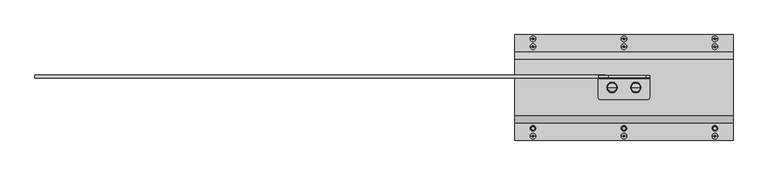
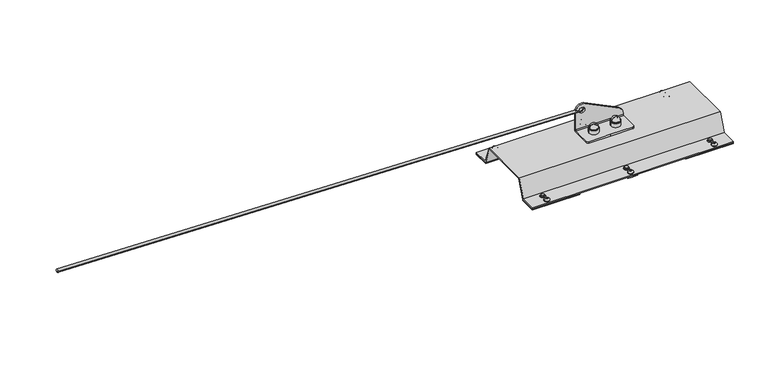
"""IFC4 building model written with IfcOpenShell, lengths in millimetres: proxy geometry."""

from ifc_helpers import new_model, si_unit, point, frame, origin, origin_with_axes, place, context, project, spatial, polyline, circle_curve, ellipse_curve, trimmed, outline, extrude, source, transform, mapped, element, save
from ifc_brep_helpers import plane_surface, cylinder_surface, revolved_surface, extruded_surface, advanced_brep


def specialty_equipment_ec87094d(model_context):
    return source(origin(), model_context, "Body", "SolidModel", [
        advanced_brep(
        [(1460.0, -27.5, 61.0), (1447.0, -27.5, 61.0), (1473.0, -27.5, 61.0), (1448.8711318, -27.5, 74.769106), (1460.0, -27.5, 84.5), (1471.1288682, -27.5, 74.769106), (1448.3951125, -27.5, 74.0453749), (1471.6048875, -27.5, 74.0453749), (1447.4849619, -27.5, 73.4985013), (1472.5150381, -27.5, 73.4985013), (1447.0, -27.5, 72.641334), (1473.0, -27.5, 72.641334)],
        [
            (0, 1),
            (1, 2, circle_curve(frame((1460.0, -27.5, 61.0), z_axis=(0.0, 0.0, -1.0), x_axis=(1.0, 0.0, 0.0)), 13.0)),
            (2, 0),
            (2, 1, circle_curve(frame((1460.0, -27.5, 61.0), z_axis=(0.0, 0.0, -1.0), x_axis=(1.0, 0.0, 0.0)), 13.0)),
            (3, 4, circle_curve(frame((1460.0, -27.5, 73.2707129), z_axis=(0.0, 1.0, 0.0), x_axis=(1.0, 0.0, 0.0)), 11.2292871)),
            (4, 5, circle_curve(frame((1460.0, -27.5, 73.2707129), z_axis=(0.0, 1.0, 0.0), x_axis=(-1.0, 0.0, 0.0)), 11.2292871)),
            (5, 3, circle_curve(frame((1460.0, -27.5, 74.769106), z_axis=(0.0, 0.0, 1.0), x_axis=(1.0, 0.0, 0.0)), 11.1288682)),
            (3, 5, circle_curve(frame((1460.0, -27.5, 74.769106), z_axis=(0.0, 0.0, 1.0), x_axis=(1.0, 0.0, 0.0)), 11.1288682)),
            (6, 3, circle_curve(frame((1447.8800744, -27.5, 74.9025422), z_axis=(0.0, -1.0, 0.0), x_axis=(1.0, 0.0, 0.0)), 1.0)),
            (5, 7, circle_curve(frame((1472.1199256, -27.5, 74.9025422), z_axis=(0.0, -1.0, 0.0), x_axis=(-1.0, 0.0, 0.0)), 1.0)),
            (7, 6, circle_curve(frame((1460.0, -27.5, 74.0453749), z_axis=(0.0, 0.0, 1.0), x_axis=(1.0, 0.0, 0.0)), 11.6048875)),
            (6, 7, circle_curve(frame((1460.0, -27.5, 74.0453749), z_axis=(0.0, 0.0, 1.0), x_axis=(1.0, 0.0, 0.0)), 11.6048875)),
            (8, 6),
            (7, 9),
            (9, 8, circle_curve(frame((1460.0, -27.5, 73.4985013), z_axis=(0.0, 0.0, 1.0), x_axis=(1.0, 0.0, 0.0)), 12.5150381)),
            (8, 9, circle_curve(frame((1460.0, -27.5, 73.4985013), z_axis=(0.0, 0.0, 1.0), x_axis=(1.0, 0.0, 0.0)), 12.5150381)),
            (10, 8, circle_curve(frame((1448.0, -27.5, 72.641334), z_axis=(0.0, 1.0, 0.0), x_axis=(1.0, 0.0, 0.0)), 1.0)),
            (9, 11, circle_curve(frame((1472.0, -27.5, 72.641334), z_axis=(0.0, 1.0, 0.0), x_axis=(-1.0, 0.0, 0.0)), 1.0)),
            (11, 10, circle_curve(frame((1460.0, -27.5, 72.641334), z_axis=(0.0, 0.0, 1.0), x_axis=(1.0, 0.0, 0.0)), 13.0)),
            (10, 11, circle_curve(frame((1460.0, -27.5, 72.641334), z_axis=(0.0, 0.0, 1.0), x_axis=(1.0, 0.0, 0.0)), 13.0)),
            (1, 10),
            (11, 2),
        ],
        [
            plane_surface(frame((1460.0, -27.5, 61.0), z_axis=(0.0, 0.0, -1.0), x_axis=(1.0, 0.0, 0.0))),
            revolved_surface(trimmed(ellipse_curve(frame((1460.0, -27.5, 73.2707129), z_axis=(0.0, 1.0, 0.0), x_axis=(-1.0, 0.0, 0.0)), 11.2292871, 11.2292871), [point((1460.0, -27.5, 84.5))], [point((1471.1288682, -27.5, 74.769106))], True, "CARTESIAN"), (1460.0, -27.5, 53.3736575), (0.0, 0.0, -1.0)),
            revolved_surface(trimmed(ellipse_curve(frame((1472.1199256, -27.5, 74.9025422), z_axis=(0.0, -1.0, 0.0), x_axis=(-1.0, 0.0, 0.0)), 1.0, 1.0), [point((1471.1288682, -27.5, 74.769106))], [point((1471.6048875, -27.5, 74.0453749))], True, "CARTESIAN"), (1460.0, -27.5, 53.3736575), (0.0, 0.0, -1.0)),
            revolved_surface(polyline([(1471.6048875, -27.5, 74.0453749), (1472.5150381, -27.5, 73.4985013)]), (1460.0, -27.5, 53.3736575), (0.0, 0.0, -1.0)),
            revolved_surface(trimmed(ellipse_curve(frame((1472.0, -27.5, 72.641334), z_axis=(0.0, 1.0, 0.0), x_axis=(-1.0, 0.0, 0.0)), 1.0, 1.0), [point((1472.5150381, -27.5, 73.4985013))], [point((1473.0, -27.5, 72.641334))], True, "CARTESIAN"), (1460.0, -27.5, 53.3736575), (0.0, 0.0, -1.0)),
            cylinder_surface(frame((1460.0, -27.5, 53.3736575), z_axis=(0.0, 0.0, -1.0), x_axis=(1.0, 0.0, 0.0)), 13.0),
        ],
        [
            (0, [[1, 2, 3]]),
            (0, [[-3, 4, -1]]),
            (1, [[5, 6, 7]]),
            (1, [[-6, -5, 8]]),
            (2, [[9, -7, 10, 11]]),
            (2, [[-10, -8, -9, 12]]),
            (3, [[13, -11, 14, 15]]),
            (3, [[-14, -12, -13, 16]]),
            (4, [[17, -15, 18, 19]]),
            (4, [[-18, -16, -17, 20]]),
            (5, [[21, -19, 22, -2]]),
            (5, [[-22, -20, -21, -4]]),
        ],
    ),
        advanced_brep(
        [(1520.0, -27.5, 61.0), (1507.0, -27.5, 61.0), (1533.0, -27.5, 61.0), (1508.8711318, -27.5, 74.769106), (1520.0, -27.5, 84.5), (1531.1288682, -27.5, 74.769106), (1508.3951125, -27.5, 74.0453749), (1531.6048875, -27.5, 74.0453749), (1507.4849619, -27.5, 73.4985013), (1532.5150381, -27.5, 73.4985013), (1507.0, -27.5, 72.641334), (1533.0, -27.5, 72.641334)],
        [
            (0, 1),
            (1, 2, circle_curve(frame((1520.0, -27.5, 61.0), z_axis=(0.0, 0.0, -1.0), x_axis=(1.0, 0.0, 0.0)), 13.0)),
            (2, 0),
            (2, 1, circle_curve(frame((1520.0, -27.5, 61.0), z_axis=(0.0, 0.0, -1.0), x_axis=(1.0, 0.0, 0.0)), 13.0)),
            (3, 4, circle_curve(frame((1520.0, -27.5, 73.2707129), z_axis=(0.0, 1.0, 0.0), x_axis=(1.0, 0.0, 0.0)), 11.2292871)),
            (4, 5, circle_curve(frame((1520.0, -27.5, 73.2707129), z_axis=(0.0, 1.0, 0.0), x_axis=(-1.0, 0.0, 0.0)), 11.2292871)),
            (5, 3, circle_curve(frame((1520.0, -27.5, 74.769106), z_axis=(0.0, 0.0, 1.0), x_axis=(1.0, 0.0, 0.0)), 11.1288682)),
            (3, 5, circle_curve(frame((1520.0, -27.5, 74.769106), z_axis=(0.0, 0.0, 1.0), x_axis=(1.0, 0.0, 0.0)), 11.1288682)),
            (6, 3, circle_curve(frame((1507.8800744, -27.5, 74.9025422), z_axis=(0.0, -1.0, 0.0), x_axis=(1.0, 0.0, 0.0)), 1.0)),
            (5, 7, circle_curve(frame((1532.1199256, -27.5, 74.9025422), z_axis=(0.0, -1.0, 0.0), x_axis=(-1.0, 0.0, 0.0)), 1.0)),
            (7, 6, circle_curve(frame((1520.0, -27.5, 74.0453749), z_axis=(0.0, 0.0, 1.0), x_axis=(1.0, 0.0, 0.0)), 11.6048875)),
            (6, 7, circle_curve(frame((1520.0, -27.5, 74.0453749), z_axis=(0.0, 0.0, 1.0), x_axis=(1.0, 0.0, 0.0)), 11.6048875)),
            (8, 6),
            (7, 9),
            (9, 8, circle_curve(frame((1520.0, -27.5, 73.4985013), z_axis=(0.0, 0.0, 1.0), x_axis=(1.0, 0.0, 0.0)), 12.5150381)),
            (8, 9, circle_curve(frame((1520.0, -27.5, 73.4985013), z_axis=(0.0, 0.0, 1.0), x_axis=(1.0, 0.0, 0.0)), 12.5150381)),
            (10, 8, circle_curve(frame((1508.0, -27.5, 72.641334), z_axis=(0.0, 1.0, 0.0), x_axis=(1.0, 0.0, 0.0)), 1.0)),
            (9, 11, circle_curve(frame((1532.0, -27.5, 72.641334), z_axis=(0.0, 1.0, 0.0), x_axis=(-1.0, 0.0, 0.0)), 1.0)),
            (11, 10, circle_curve(frame((1520.0, -27.5, 72.641334), z_axis=(0.0, 0.0, 1.0), x_axis=(1.0, 0.0, 0.0)), 13.0)),
            (10, 11, circle_curve(frame((1520.0, -27.5, 72.641334), z_axis=(0.0, 0.0, 1.0), x_axis=(1.0, 0.0, 0.0)), 13.0)),
            (1, 10),
            (11, 2),
        ],
        [
            plane_surface(frame((1520.0, -27.5, 61.0), z_axis=(0.0, 0.0, -1.0), x_axis=(1.0, 0.0, 0.0))),
            revolved_surface(trimmed(ellipse_curve(frame((1520.0, -27.5, 73.2707129), z_axis=(0.0, 1.0, 0.0), x_axis=(-1.0, 0.0, 0.0)), 11.2292871, 11.2292871), [point((1520.0, -27.5, 84.5))], [point((1531.1288682, -27.5, 74.769106))], True, "CARTESIAN"), (1520.0, -27.5, 53.3736575), (0.0, 0.0, -1.0)),
            revolved_surface(trimmed(ellipse_curve(frame((1532.1199256, -27.5, 74.9025422), z_axis=(0.0, -1.0, 0.0), x_axis=(-1.0, 0.0, 0.0)), 1.0, 1.0), [point((1531.1288682, -27.5, 74.769106))], [point((1531.6048875, -27.5, 74.0453749))], True, "CARTESIAN"), (1520.0, -27.5, 53.3736575), (0.0, 0.0, -1.0)),
            revolved_surface(polyline([(1531.6048875, -27.5, 74.0453749), (1532.5150381, -27.5, 73.4985013)]), (1520.0, -27.5, 53.3736575), (0.0, 0.0, -1.0)),
            revolved_surface(trimmed(ellipse_curve(frame((1532.0, -27.5, 72.641334), z_axis=(0.0, 1.0, 0.0), x_axis=(-1.0, 0.0, 0.0)), 1.0, 1.0), [point((1532.5150381, -27.5, 73.4985013))], [point((1533.0, -27.5, 72.641334))], True, "CARTESIAN"), (1520.0, -27.5, 53.3736575), (0.0, 0.0, -1.0)),
            cylinder_surface(frame((1520.0, -27.5, 53.3736575), z_axis=(0.0, 0.0, -1.0), x_axis=(1.0, 0.0, 0.0)), 13.0),
        ],
        [
            (0, [[1, 2, 3]]),
            (0, [[-3, 4, -1]]),
            (1, [[5, 6, 7]]),
            (1, [[-6, -5, 8]]),
            (2, [[9, -7, 10, 11]]),
            (2, [[-10, -8, -9, 12]]),
            (3, [[13, -11, 14, 15]]),
            (3, [[-14, -12, -13, 16]]),
            (4, [[17, -15, 18, 19]]),
            (4, [[-18, -16, -17, 20]]),
            (5, [[21, -19, 22, -2]]),
            (5, [[-22, -20, -21, -4]]),
        ],
    ),
        advanced_brep(
        [(1425.0, -2.5, 114.5), (1425.0, -2.5, 64.0), (1555.0, -2.5, 64.0), (1555.0, -2.5, 68.1654041), (1545.1714951, -2.5, 83.8942999), (1450.1714951, -2.5, 130.2288958), (1435.0, -2.5, 114.5), (1450.0, -2.5, 114.5), (1555.0, 2.5, 68.1654041), (1555.0, 2.5, 64.0), (1425.0, 2.5, 64.0), (1425.0, 2.5, 114.5), (1450.1714951, 2.5, 130.2288958), (1545.1714951, 2.5, 83.8942999), (1450.0, 2.5, 114.5), (1435.0, 2.5, 114.5), (1555.0, -27.5, 61.0), (1555.0, -5.5, 61.0), (1425.0, -5.5, 61.0), (1425.0, -27.5, 61.0), (1425.0, -52.5, 61.0), (1430.0, -57.5, 61.0), (1490.0, -57.5, 61.0), (1550.0, -57.5, 61.0), (1555.0, -52.5, 61.0), (1425.0, -27.5, 56.0), (1425.0, -5.5, 56.0), (1555.0, -5.5, 56.0), (1555.0, -27.5, 56.0), (1555.0, -52.5, 56.0), (1550.0, -57.5, 56.0), (1490.0, -57.5, 56.0), (1430.0, -57.5, 56.0), (1425.0, -52.5, 56.0)],
        [
            (0, 1),
            (1, 2),
            (2, 3),
            (3, 4, circle_curve(frame((1537.5, -2.5, 68.1654041), z_axis=(0.0, -1.0, 0.0), x_axis=(1.0, 0.0, 0.0)), 17.5)),
            (4, 5),
            (5, 0, circle_curve(frame((1442.5, -2.5, 114.5), z_axis=(0.0, -1.0, 0.0), x_axis=(1.0, 0.0, 0.0)), 17.5)),
            (6, 7, circle_curve(frame((1442.5, -2.5, 114.5), z_axis=(0.0, 1.0, 0.0), x_axis=(-1.0, 0.0, 0.0)), 7.5)),
            (7, 6, circle_curve(frame((1442.5, -2.5, 114.5), z_axis=(0.0, 1.0, 0.0), x_axis=(-1.0, 0.0, 0.0)), 7.5)),
            (8, 9),
            (9, 10),
            (10, 11),
            (11, 12, circle_curve(frame((1442.5, 2.5, 114.5), z_axis=(0.0, 1.0, 0.0), x_axis=(1.0, 0.0, 0.0)), 17.5)),
            (12, 13),
            (13, 8, circle_curve(frame((1537.5, 2.5, 68.1654041), z_axis=(0.0, 1.0, 0.0), x_axis=(1.0, 0.0, 0.0)), 17.5)),
            (14, 15, circle_curve(frame((1442.5, 2.5, 114.5), z_axis=(0.0, -1.0, 0.0), x_axis=(-1.0, 0.0, 0.0)), 7.5)),
            (15, 14, circle_curve(frame((1442.5, 2.5, 114.5), z_axis=(0.0, -1.0, 0.0), x_axis=(-1.0, 0.0, 0.0)), 7.5)),
            (16, 17),
            (17, 18),
            (18, 19),
            (19, 20),
            (20, 21, circle_curve(frame((1430.0, -52.5, 61.0), z_axis=(0.0, 0.0, 1.0), x_axis=(0.0, 1.0, 0.0)), 5.0)),
            (21, 22),
            (22, 23),
            (23, 24, circle_curve(frame((1550.0, -52.5, 61.0), z_axis=(0.0, 0.0, 1.0), x_axis=(0.0, 1.0, 0.0)), 5.0)),
            (24, 16),
            (25, 26),
            (26, 27),
            (27, 28),
            (28, 29),
            (29, 30, circle_curve(frame((1550.0, -52.5, 56.0), z_axis=(0.0, 0.0, -1.0), x_axis=(0.0, 1.0, 0.0)), 5.0)),
            (30, 31),
            (31, 32),
            (32, 33, circle_curve(frame((1430.0, -52.5, 56.0), z_axis=(0.0, 0.0, -1.0), x_axis=(0.0, 1.0, 0.0)), 5.0)),
            (33, 25),
            (24, 29),
            (28, 16),
            (23, 30),
            (22, 31),
            (21, 32),
            (20, 33),
            (19, 25),
            (1, 18, circle_curve(frame((1425.0, -5.5, 64.0), z_axis=(-1.0, 0.0, 0.0), x_axis=(0.0, 1.0, 0.0)), 3.0)),
            (17, 2, circle_curve(frame((1555.0, -5.5, 64.0), z_axis=(1.0, 0.0, 0.0), x_axis=(0.0, 1.0, 0.0)), 3.0)),
            (10, 26, circle_curve(frame((1425.0, -5.5, 64.0), z_axis=(-1.0, 0.0, 0.0), x_axis=(0.0, 1.0, 0.0)), 8.0)),
            (0, 11),
            (5, 12),
            (4, 13),
            (3, 8),
            (27, 9, circle_curve(frame((1555.0, -5.5, 64.0), z_axis=(1.0, 0.0, 0.0), x_axis=(0.0, 1.0, 0.0)), 8.0)),
            (7, 14),
            (15, 6),
        ],
        [
            plane_surface(frame((1425.0, -2.5, 61.0), z_axis=(0.0, -1.0, 0.0), x_axis=(0.0, 0.0, 1.0))),
            plane_surface(frame((1425.0, 2.5, 61.0), z_axis=(0.0, 1.0, 0.0), x_axis=(0.0, 0.0, -1.0))),
            plane_surface(frame((1555.0, 2.5, 61.0), z_axis=(0.0, 0.0, 1.0), x_axis=(0.0, -1.0, 0.0))),
            plane_surface(frame((1555.0, 2.5, 56.0), z_axis=(0.0, 0.0, -1.0), x_axis=(0.0, 1.0, 0.0))),
            plane_surface(frame((1555.0, -27.5, 61.0), z_axis=(1.0, 0.0, 0.0), x_axis=(0.0, 0.0, -1.0))),
            cylinder_surface(frame((1550.0, -52.5, 56.0), z_axis=(0.0, 0.0, 1.0), x_axis=(0.0, 1.0, 0.0)), 5.0),
            plane_surface(frame((1550.0, -57.5, 61.0), z_axis=(0.0, -1.0, 0.0), x_axis=(0.0, 0.0, -1.0))),
            plane_surface(frame((1490.0, -57.5, 61.0), z_axis=(0.0, -1.0, 0.0), x_axis=(0.0, 0.0, -1.0))),
            cylinder_surface(frame((1430.0, -52.5, 56.0), z_axis=(0.0, 0.0, 1.0), x_axis=(0.0, 1.0, 0.0)), 5.0),
            plane_surface(frame((1425.0, -52.5, 61.0), z_axis=(-1.0, 0.0, 0.0), x_axis=(0.0, 0.0, -1.0))),
            revolved_surface(polyline([(1555.0, -2.5, 64.0), (1425.0, -2.5, 64.0)]), (1555.0, -5.5, 64.0), (1.0, 0.0, 0.0)),
            plane_surface(frame((1425.0, -2.5, 61.0), z_axis=(-1.0, 0.0, 0.0), x_axis=(0.0, 1.0, 0.0))),
            cylinder_surface(frame((1442.5, 2.5, 114.5), z_axis=(0.0, -1.0, 0.0), x_axis=(1.0, 0.0, 0.0)), 17.5),
            plane_surface(frame((1450.1714951, -2.5, 130.2288958), z_axis=(0.43837114678908046, 0.0, 0.8987940462991656), x_axis=(0.0, 1.0, 0.0))),
            cylinder_surface(frame((1537.5, 2.5, 68.1654041), z_axis=(0.0, -1.0, 0.0), x_axis=(1.0, 0.0, 0.0)), 17.5),
            plane_surface(frame((1555.0, -2.5, 68.1654041), z_axis=(1.0, 0.0, 0.0), x_axis=(0.0, 1.0, 0.0))),
            revolved_surface(polyline([(1435.0, -2.5, 114.5), (1435.0, 2.5, 114.5)]), (1442.5, 2.5, 114.5), (0.0, -1.0, 0.0)),
            cylinder_surface(frame((1555.0, -5.5, 64.0), z_axis=(1.0, 0.0, 0.0), x_axis=(0.0, 1.0, 0.0)), 8.0),
        ],
        [
            (0, [[1, 2, 3, 4, 5, 6], [7, 8]]),
            (1, [[9, 10, 11, 12, 13, 14], [15, 16]]),
            (2, [[17, 18, 19, 20, 21, 22, 23, 24, 25]]),
            (3, [[26, 27, 28, 29, 30, 31, 32, 33, 34]]),
            (4, [[35, -29, 36, -25]]),
            (5, [[37, -30, -35, -24]]),
            (6, [[38, -31, -37, -23]]),
            (7, [[39, -32, -38, -22]]),
            (8, [[40, -33, -39, -21]]),
            (9, [[41, -34, -40, -20]]),
            (10, [[-2, 42, -18, 43]]),
            (11, [[-11, 44, -26, -41, -19, -42, -1, 45]]),
            (12, [[46, -12, -45, -6]]),
            (13, [[47, -13, -46, -5]]),
            (14, [[48, -14, -47, -4]]),
            (15, [[-3, -43, -17, -36, -28, 49, -9, -48]]),
            (16, [[-8, 50, -16, 51]]),
            (16, [[-15, -50, -7, -51]]),
            (17, [[-49, -27, -44, -10]]),
        ],
    ),
        extrude(outline(polyline([(61.0, 3.0), (42.7695663, 53.0877048), (-97.7695663, 53.0877048), (-116.0, 3.0), (-161.0, 3.0), (-161.0, 6.0), (-118.1006226, 6.0), (-99.870189, 56.0877048), (44.870189, 56.0877048), (63.1006226, 6.0), (106.0, 6.0), (106.0, 3.0), (61.0, 3.0)])), frame((1214.0, 0.0, 0.0), z_axis=(1.0, 0.0, 0.0), x_axis=(0.0, 1.0, 0.0)), (0.0, 0.0, 1.0), 552.0),
        extrude(outline(polyline([(1636.0, 106.0), (1766.0, 106.0), (1766.0, 61.0), (1636.0, 61.0), (1636.0, 106.0)])), origin_with_axes(), (0.0, 0.0, 1.0), 3.0),
        extrude(outline(polyline([(1344.0, 106.0), (1344.0, 61.0), (1214.0, 61.0), (1214.0, 106.0), (1344.0, 106.0)])), origin_with_axes(), (0.0, 0.0, 1.0), 3.0),
        extrude(outline(polyline([(1636.0, -161.0), (1636.0, -116.0), (1766.0, -116.0), (1766.0, -161.0), (1636.0, -161.0)])), origin_with_axes(), (0.0, 0.0, 1.0), 3.0),
        extrude(outline(polyline([(1344.0, -161.0), (1214.0, -161.0), (1214.0, -116.0), (1344.0, -116.0), (1344.0, -161.0)])), origin_with_axes(), (0.0, 0.0, 1.0), 3.0),
        extrude(outline(polyline([(1490.0, 106.0), (1504.1113894, 106.0), (1504.1113894, 61.0), (1490.0, 61.0), (1475.8886106, 61.0), (1475.8886106, 106.0), (1490.0, 106.0)])), origin_with_axes(), (0.0, 0.0, 1.0), 3.0),
        extrude(outline(polyline([(1490.0, -161.0), (1475.8886106, -161.0), (1475.8886106, -116.0), (1490.0, -116.0), (1504.1113894, -116.0), (1504.1113894, -161.0), (1490.0, -161.0)])), origin_with_axes(), (0.0, 0.0, 1.0), 3.0),
        advanced_brep(
        [(1252.7019875, -151.0, 6.0), (1260.0, -151.0, 6.0), (1267.2980125, -151.0, 6.0), (1252.7019875, -151.0, 7.5), (1267.2980125, -151.0, 7.5), (1256.7019875, -151.0, 11.5), (1263.2980125, -151.0, 11.5), (1260.0, -151.0, 11.5)],
        [
            (0, 1),
            (1, 2),
            (2, 0, circle_curve(frame((1260.0, -151.0, 6.0), z_axis=(0.0, 0.0, -1.0), x_axis=(1.0, 0.0, 0.0)), 7.2980125)),
            (0, 2, circle_curve(frame((1260.0, -151.0, 6.0), z_axis=(0.0, 0.0, -1.0), x_axis=(1.0, 0.0, 0.0)), 7.2980125)),
            (3, 0),
            (2, 4),
            (4, 3, circle_curve(frame((1260.0, -151.0, 7.5), z_axis=(0.0, 0.0, -1.0), x_axis=(1.0, 0.0, 0.0)), 7.2980125)),
            (3, 4, circle_curve(frame((1260.0, -151.0, 7.5), z_axis=(0.0, 0.0, -1.0), x_axis=(1.0, 0.0, 0.0)), 7.2980125)),
            (5, 3, circle_curve(frame((1256.7019875, -151.0, 7.5), z_axis=(0.0, -1.0, 0.0), x_axis=(-1.0, 0.0, 0.0)), 4.0)),
            (4, 6, circle_curve(frame((1263.2980125, -151.0, 7.5), z_axis=(0.0, -1.0, 0.0), x_axis=(1.0, 0.0, 0.0)), 4.0)),
            (6, 5, circle_curve(frame((1260.0, -151.0, 11.5), z_axis=(0.0, 0.0, -1.0), x_axis=(1.0, 0.0, 0.0)), 3.2980125)),
            (5, 6, circle_curve(frame((1260.0, -151.0, 11.5), z_axis=(0.0, 0.0, -1.0), x_axis=(1.0, 0.0, 0.0)), 3.2980125)),
            (7, 5),
            (6, 7),
        ],
        [
            plane_surface(frame((1260.0, -151.0, 6.0), z_axis=(0.0, 0.0, -1.0), x_axis=(1.0, 0.0, 0.0))),
            cylinder_surface(frame((1260.0, -151.0, -55.0), z_axis=(0.0, 0.0, 1.0), x_axis=(1.0, 0.0, 0.0)), 7.2980125),
            revolved_surface(trimmed(ellipse_curve(frame((1263.2980125, -151.0, 7.5), z_axis=(0.0, -1.0, 0.0), x_axis=(1.0, 0.0, 0.0)), 4.0, 4.0), [point((1267.2980125, -151.0, 7.5))], [point((1263.2980125, -151.0, 11.5))], True, "CARTESIAN"), (1260.0, -151.0, -55.0), (0.0, 0.0, 1.0)),
            plane_surface(frame((1260.0, -151.0, 11.5), z_axis=(0.0, 0.0, 1.0), x_axis=(1.0, 0.0, 0.0))),
        ],
        [
            (0, [[1, 2, 3]]),
            (0, [[-2, -1, 4]]),
            (1, [[5, -3, 6, 7]]),
            (1, [[-6, -4, -5, 8]]),
            (2, [[9, -7, 10, 11]]),
            (2, [[-10, -8, -9, 12]]),
            (3, [[13, -11, 14]]),
            (3, [[-14, -12, -13]]),
        ],
    ),
        advanced_brep(
        [(1482.7019875, -151.0, 6.0), (1490.0, -151.0, 6.0), (1497.2980125, -151.0, 6.0), (1482.7019875, -151.0, 7.5), (1497.2980125, -151.0, 7.5), (1486.7019875, -151.0, 11.5), (1493.2980125, -151.0, 11.5), (1490.0, -151.0, 11.5)],
        [
            (0, 1),
            (1, 2),
            (2, 0, circle_curve(frame((1490.0, -151.0, 6.0), z_axis=(0.0, 0.0, -1.0), x_axis=(1.0, 0.0, 0.0)), 7.2980125)),
            (0, 2, circle_curve(frame((1490.0, -151.0, 6.0), z_axis=(0.0, 0.0, -1.0), x_axis=(1.0, 0.0, 0.0)), 7.2980125)),
            (3, 0),
            (2, 4),
            (4, 3, circle_curve(frame((1490.0, -151.0, 7.5), z_axis=(0.0, 0.0, -1.0), x_axis=(1.0, 0.0, 0.0)), 7.2980125)),
            (3, 4, circle_curve(frame((1490.0, -151.0, 7.5), z_axis=(0.0, 0.0, -1.0), x_axis=(1.0, 0.0, 0.0)), 7.2980125)),
            (5, 3, circle_curve(frame((1486.7019875, -151.0, 7.5), z_axis=(0.0, -1.0, 0.0), x_axis=(-1.0, 0.0, 0.0)), 4.0)),
            (4, 6, circle_curve(frame((1493.2980125, -151.0, 7.5), z_axis=(0.0, -1.0, 0.0), x_axis=(1.0, 0.0, 0.0)), 4.0)),
            (6, 5, circle_curve(frame((1490.0, -151.0, 11.5), z_axis=(0.0, 0.0, -1.0), x_axis=(1.0, 0.0, 0.0)), 3.2980125)),
            (5, 6, circle_curve(frame((1490.0, -151.0, 11.5), z_axis=(0.0, 0.0, -1.0), x_axis=(1.0, 0.0, 0.0)), 3.2980125)),
            (7, 5),
            (6, 7),
        ],
        [
            plane_surface(frame((1490.0, -151.0, 6.0), z_axis=(0.0, 0.0, -1.0), x_axis=(1.0, 0.0, 0.0))),
            cylinder_surface(frame((1490.0, -151.0, -55.0), z_axis=(0.0, 0.0, 1.0), x_axis=(1.0, 0.0, 0.0)), 7.2980125),
            revolved_surface(trimmed(ellipse_curve(frame((1493.2980125, -151.0, 7.5), z_axis=(0.0, -1.0, 0.0), x_axis=(1.0, 0.0, 0.0)), 4.0, 4.0), [point((1497.2980125, -151.0, 7.5))], [point((1493.2980125, -151.0, 11.5))], True, "CARTESIAN"), (1490.0, -151.0, -55.0), (0.0, 0.0, 1.0)),
            plane_surface(frame((1490.0, -151.0, 11.5), z_axis=(0.0, 0.0, 1.0), x_axis=(1.0, 0.0, 0.0))),
        ],
        [
            (0, [[1, 2, 3]]),
            (0, [[-2, -1, 4]]),
            (1, [[5, -3, 6, 7]]),
            (1, [[-6, -4, -5, 8]]),
            (2, [[9, -7, 10, 11]]),
            (2, [[-10, -8, -9, 12]]),
            (3, [[13, -11, 14]]),
            (3, [[-14, -12, -13]]),
        ],
    ),
        advanced_brep(
        [(1712.7019875, -151.0, 6.0), (1720.0, -151.0, 6.0), (1727.2980125, -151.0, 6.0), (1712.7019875, -151.0, 7.5), (1727.2980125, -151.0, 7.5), (1716.7019875, -151.0, 11.5), (1723.2980125, -151.0, 11.5), (1720.0, -151.0, 11.5)],
        [
            (0, 1),
            (1, 2),
            (2, 0, circle_curve(frame((1720.0, -151.0, 6.0), z_axis=(0.0, 0.0, -1.0), x_axis=(1.0, 0.0, 0.0)), 7.2980125)),
            (0, 2, circle_curve(frame((1720.0, -151.0, 6.0), z_axis=(0.0, 0.0, -1.0), x_axis=(1.0, 0.0, 0.0)), 7.2980125)),
            (3, 0),
            (2, 4),
            (4, 3, circle_curve(frame((1720.0, -151.0, 7.5), z_axis=(0.0, 0.0, -1.0), x_axis=(1.0, 0.0, 0.0)), 7.2980125)),
            (3, 4, circle_curve(frame((1720.0, -151.0, 7.5), z_axis=(0.0, 0.0, -1.0), x_axis=(1.0, 0.0, 0.0)), 7.2980125)),
            (5, 3, circle_curve(frame((1716.7019875, -151.0, 7.5), z_axis=(0.0, -1.0, 0.0), x_axis=(-1.0, 0.0, 0.0)), 4.0)),
            (4, 6, circle_curve(frame((1723.2980125, -151.0, 7.5), z_axis=(0.0, -1.0, 0.0), x_axis=(1.0, 0.0, 0.0)), 4.0)),
            (6, 5, circle_curve(frame((1720.0, -151.0, 11.5), z_axis=(0.0, 0.0, -1.0), x_axis=(1.0, 0.0, 0.0)), 3.2980125)),
            (5, 6, circle_curve(frame((1720.0, -151.0, 11.5), z_axis=(0.0, 0.0, -1.0), x_axis=(1.0, 0.0, 0.0)), 3.2980125)),
            (7, 5),
            (6, 7),
        ],
        [
            plane_surface(frame((1720.0, -151.0, 6.0), z_axis=(0.0, 0.0, -1.0), x_axis=(1.0, 0.0, 0.0))),
            cylinder_surface(frame((1720.0, -151.0, -55.0), z_axis=(0.0, 0.0, 1.0), x_axis=(1.0, 0.0, 0.0)), 7.2980125),
            revolved_surface(trimmed(ellipse_curve(frame((1723.2980125, -151.0, 7.5), z_axis=(0.0, -1.0, 0.0), x_axis=(1.0, 0.0, 0.0)), 4.0, 4.0), [point((1727.2980125, -151.0, 7.5))], [point((1723.2980125, -151.0, 11.5))], True, "CARTESIAN"), (1720.0, -151.0, -55.0), (0.0, 0.0, 1.0)),
            plane_surface(frame((1720.0, -151.0, 11.5), z_axis=(0.0, 0.0, 1.0), x_axis=(1.0, 0.0, 0.0))),
        ],
        [
            (0, [[1, 2, 3]]),
            (0, [[-2, -1, 4]]),
            (1, [[5, -3, 6, 7]]),
            (1, [[-6, -4, -5, 8]]),
            (2, [[9, -7, 10, 11]]),
            (2, [[-10, -8, -9, 12]]),
            (3, [[13, -11, 14]]),
            (3, [[-14, -12, -13]]),
        ],
    ),
        advanced_brep(
        [(1267.2980125, 76.0, 6.0), (1260.0, 76.0, 6.0), (1252.7019875, 76.0, 6.0), (1267.2980125, 76.0, 7.5), (1252.7019875, 76.0, 7.5), (1263.2980125, 76.0, 11.5), (1256.7019875, 76.0, 11.5), (1260.0, 76.0, 11.5)],
        [
            (0, 1),
            (1, 2),
            (2, 0, circle_curve(frame((1260.0, 76.0, 6.0), z_axis=(0.0, 0.0, -1.0), x_axis=(-1.0, 0.0, 0.0)), 7.2980125)),
            (0, 2, circle_curve(frame((1260.0, 76.0, 6.0), z_axis=(0.0, 0.0, -1.0), x_axis=(-1.0, 0.0, 0.0)), 7.2980125)),
            (3, 0),
            (2, 4),
            (4, 3, circle_curve(frame((1260.0, 76.0, 7.5), z_axis=(0.0, 0.0, -1.0), x_axis=(-1.0, 0.0, 0.0)), 7.2980125)),
            (3, 4, circle_curve(frame((1260.0, 76.0, 7.5), z_axis=(0.0, 0.0, -1.0), x_axis=(-1.0, 0.0, 0.0)), 7.2980125)),
            (5, 3, circle_curve(frame((1263.2980125, 76.0, 7.5), z_axis=(0.0, 1.0, 0.0), x_axis=(-1.0, 0.0, 0.0)), 4.0)),
            (4, 6, circle_curve(frame((1256.7019875, 76.0, 7.5), z_axis=(0.0, 1.0, 0.0), x_axis=(1.0, 0.0, 0.0)), 4.0)),
            (6, 5, circle_curve(frame((1260.0, 76.0, 11.5), z_axis=(0.0, 0.0, -1.0), x_axis=(-1.0, 0.0, 0.0)), 3.2980125)),
            (5, 6, circle_curve(frame((1260.0, 76.0, 11.5), z_axis=(0.0, 0.0, -1.0), x_axis=(-1.0, 0.0, 0.0)), 3.2980125)),
            (7, 5),
            (6, 7),
        ],
        [
            plane_surface(frame((1260.0, 76.0, 6.0), z_axis=(0.0, 0.0, -1.0), x_axis=(-1.0, 0.0, 0.0))),
            cylinder_surface(frame((1260.0, 76.0, -55.0), z_axis=(0.0, 0.0, 1.0), x_axis=(-1.0, 0.0, 0.0)), 7.2980125),
            revolved_surface(trimmed(ellipse_curve(frame((1256.7019875, 76.0, 7.5), z_axis=(0.0, 1.0, 0.0), x_axis=(1.0, 0.0, 0.0)), 4.0, 4.0), [point((1252.7019875, 76.0, 7.5))], [point((1256.7019875, 76.0, 11.5))], True, "CARTESIAN"), (1260.0, 76.0, -55.0), (0.0, 0.0, 1.0)),
            plane_surface(frame((1260.0, 76.0, 11.5), z_axis=(0.0, 0.0, 1.0), x_axis=(-1.0, 0.0, 0.0))),
        ],
        [
            (0, [[1, 2, 3]]),
            (0, [[-2, -1, 4]]),
            (1, [[5, -3, 6, 7]]),
            (1, [[-6, -4, -5, 8]]),
            (2, [[9, -7, 10, 11]]),
            (2, [[-10, -8, -9, 12]]),
            (3, [[13, -11, 14]]),
            (3, [[-14, -12, -13]]),
        ],
    ),
        advanced_brep(
        [(1497.2980125, 76.0, 6.0), (1490.0, 76.0, 6.0), (1482.7019875, 76.0, 6.0), (1497.2980125, 76.0, 7.5), (1482.7019875, 76.0, 7.5), (1493.2980125, 76.0, 11.5), (1486.7019875, 76.0, 11.5), (1490.0, 76.0, 11.5)],
        [
            (0, 1),
            (1, 2),
            (2, 0, circle_curve(frame((1490.0, 76.0, 6.0), z_axis=(0.0, 0.0, -1.0), x_axis=(-1.0, 0.0, 0.0)), 7.2980125)),
            (0, 2, circle_curve(frame((1490.0, 76.0, 6.0), z_axis=(0.0, 0.0, -1.0), x_axis=(-1.0, 0.0, 0.0)), 7.2980125)),
            (3, 0),
            (2, 4),
            (4, 3, circle_curve(frame((1490.0, 76.0, 7.5), z_axis=(0.0, 0.0, -1.0), x_axis=(-1.0, 0.0, 0.0)), 7.2980125)),
            (3, 4, circle_curve(frame((1490.0, 76.0, 7.5), z_axis=(0.0, 0.0, -1.0), x_axis=(-1.0, 0.0, 0.0)), 7.2980125)),
            (5, 3, circle_curve(frame((1493.2980125, 76.0, 7.5), z_axis=(0.0, 1.0, 0.0), x_axis=(-1.0, 0.0, 0.0)), 4.0)),
            (4, 6, circle_curve(frame((1486.7019875, 76.0, 7.5), z_axis=(0.0, 1.0, 0.0), x_axis=(1.0, 0.0, 0.0)), 4.0)),
            (6, 5, circle_curve(frame((1490.0, 76.0, 11.5), z_axis=(0.0, 0.0, -1.0), x_axis=(-1.0, 0.0, 0.0)), 3.2980125)),
            (5, 6, circle_curve(frame((1490.0, 76.0, 11.5), z_axis=(0.0, 0.0, -1.0), x_axis=(-1.0, 0.0, 0.0)), 3.2980125)),
            (7, 5),
            (6, 7),
        ],
        [
            plane_surface(frame((1490.0, 76.0, 6.0), z_axis=(0.0, 0.0, -1.0), x_axis=(-1.0, 0.0, 0.0))),
            cylinder_surface(frame((1490.0, 76.0, -55.0), z_axis=(0.0, 0.0, 1.0), x_axis=(-1.0, 0.0, 0.0)), 7.2980125),
            revolved_surface(trimmed(ellipse_curve(frame((1486.7019875, 76.0, 7.5), z_axis=(0.0, 1.0, 0.0), x_axis=(1.0, 0.0, 0.0)), 4.0, 4.0), [point((1482.7019875, 76.0, 7.5))], [point((1486.7019875, 76.0, 11.5))], True, "CARTESIAN"), (1490.0, 76.0, -55.0), (0.0, 0.0, 1.0)),
            plane_surface(frame((1490.0, 76.0, 11.5), z_axis=(0.0, 0.0, 1.0), x_axis=(-1.0, 0.0, 0.0))),
        ],
        [
            (0, [[1, 2, 3]]),
            (0, [[-2, -1, 4]]),
            (1, [[5, -3, 6, 7]]),
            (1, [[-6, -4, -5, 8]]),
            (2, [[9, -7, 10, 11]]),
            (2, [[-10, -8, -9, 12]]),
            (3, [[13, -11, 14]]),
            (3, [[-14, -12, -13]]),
        ],
    ),
        advanced_brep(
        [(1727.2980125, 76.0, 6.0), (1720.0, 76.0, 6.0), (1712.7019875, 76.0, 6.0), (1727.2980125, 76.0, 7.5), (1712.7019875, 76.0, 7.5), (1723.2980125, 76.0, 11.5), (1716.7019875, 76.0, 11.5), (1720.0, 76.0, 11.5)],
        [
            (0, 1),
            (1, 2),
            (2, 0, circle_curve(frame((1720.0, 76.0, 6.0), z_axis=(0.0, 0.0, -1.0), x_axis=(-1.0, 0.0, 0.0)), 7.2980125)),
            (0, 2, circle_curve(frame((1720.0, 76.0, 6.0), z_axis=(0.0, 0.0, -1.0), x_axis=(-1.0, 0.0, 0.0)), 7.2980125)),
            (3, 0),
            (2, 4),
            (4, 3, circle_curve(frame((1720.0, 76.0, 7.5), z_axis=(0.0, 0.0, -1.0), x_axis=(-1.0, 0.0, 0.0)), 7.2980125)),
            (3, 4, circle_curve(frame((1720.0, 76.0, 7.5), z_axis=(0.0, 0.0, -1.0), x_axis=(-1.0, 0.0, 0.0)), 7.2980125)),
            (5, 3, circle_curve(frame((1723.2980125, 76.0, 7.5), z_axis=(0.0, 1.0, 0.0), x_axis=(-1.0, 0.0, 0.0)), 4.0)),
            (4, 6, circle_curve(frame((1716.7019875, 76.0, 7.5), z_axis=(0.0, 1.0, 0.0), x_axis=(1.0, 0.0, 0.0)), 4.0)),
            (6, 5, circle_curve(frame((1720.0, 76.0, 11.5), z_axis=(0.0, 0.0, -1.0), x_axis=(-1.0, 0.0, 0.0)), 3.2980125)),
            (5, 6, circle_curve(frame((1720.0, 76.0, 11.5), z_axis=(0.0, 0.0, -1.0), x_axis=(-1.0, 0.0, 0.0)), 3.2980125)),
            (7, 5),
            (6, 7),
        ],
        [
            plane_surface(frame((1720.0, 76.0, 6.0), z_axis=(0.0, 0.0, -1.0), x_axis=(-1.0, 0.0, 0.0))),
            cylinder_surface(frame((1720.0, 76.0, -55.0), z_axis=(0.0, 0.0, 1.0), x_axis=(-1.0, 0.0, 0.0)), 7.2980125),
            revolved_surface(trimmed(ellipse_curve(frame((1716.7019875, 76.0, 7.5), z_axis=(0.0, 1.0, 0.0), x_axis=(1.0, 0.0, 0.0)), 4.0, 4.0), [point((1712.7019875, 76.0, 7.5))], [point((1716.7019875, 76.0, 11.5))], True, "CARTESIAN"), (1720.0, 76.0, -55.0), (0.0, 0.0, 1.0)),
            plane_surface(frame((1720.0, 76.0, 11.5), z_axis=(0.0, 0.0, 1.0), x_axis=(-1.0, 0.0, 0.0))),
        ],
        [
            (0, [[1, 2, 3]]),
            (0, [[-2, -1, 4]]),
            (1, [[5, -3, 6, 7]]),
            (1, [[-6, -4, -5, 8]]),
            (2, [[9, -7, 10, 11]]),
            (2, [[-10, -8, -9, 12]]),
            (3, [[13, -11, 14]]),
            (3, [[-14, -12, -13]]),
        ],
    ),
        advanced_brep(
        [(1267.2980125, 96.0, 6.0), (1260.0, 96.0, 6.0), (1252.7019875, 96.0, 6.0), (1267.2980125, 96.0, 7.5), (1252.7019875, 96.0, 7.5), (1263.2980125, 96.0, 11.5), (1256.7019875, 96.0, 11.5), (1260.0, 96.0, 11.5)],
        [
            (0, 1),
            (1, 2),
            (2, 0, circle_curve(frame((1260.0, 96.0, 6.0), z_axis=(0.0, 0.0, -1.0), x_axis=(-1.0, 0.0, 0.0)), 7.2980125)),
            (0, 2, circle_curve(frame((1260.0, 96.0, 6.0), z_axis=(0.0, 0.0, -1.0), x_axis=(-1.0, 0.0, 0.0)), 7.2980125)),
            (3, 0),
            (2, 4),
            (4, 3, circle_curve(frame((1260.0, 96.0, 7.5), z_axis=(0.0, 0.0, -1.0), x_axis=(-1.0, 0.0, 0.0)), 7.2980125)),
            (3, 4, circle_curve(frame((1260.0, 96.0, 7.5), z_axis=(0.0, 0.0, -1.0), x_axis=(-1.0, 0.0, 0.0)), 7.2980125)),
            (5, 3, circle_curve(frame((1263.2980125, 96.0, 7.5), z_axis=(0.0, 1.0, 0.0), x_axis=(-1.0, 0.0, 0.0)), 4.0)),
            (4, 6, circle_curve(frame((1256.7019875, 96.0, 7.5), z_axis=(0.0, 1.0, 0.0), x_axis=(1.0, 0.0, 0.0)), 4.0)),
            (6, 5, circle_curve(frame((1260.0, 96.0, 11.5), z_axis=(0.0, 0.0, -1.0), x_axis=(-1.0, 0.0, 0.0)), 3.2980125)),
            (5, 6, circle_curve(frame((1260.0, 96.0, 11.5), z_axis=(0.0, 0.0, -1.0), x_axis=(-1.0, 0.0, 0.0)), 3.2980125)),
            (7, 5),
            (6, 7),
        ],
        [
            plane_surface(frame((1260.0, 96.0, 6.0), z_axis=(0.0, 0.0, -1.0), x_axis=(-1.0, 0.0, 0.0))),
            cylinder_surface(frame((1260.0, 96.0, -55.0), z_axis=(0.0, 0.0, 1.0), x_axis=(-1.0, 0.0, 0.0)), 7.2980125),
            revolved_surface(trimmed(ellipse_curve(frame((1256.7019875, 96.0, 7.5), z_axis=(0.0, 1.0, 0.0), x_axis=(1.0, 0.0, 0.0)), 4.0, 4.0), [point((1252.7019875, 96.0, 7.5))], [point((1256.7019875, 96.0, 11.5))], True, "CARTESIAN"), (1260.0, 96.0, -55.0), (0.0, 0.0, 1.0)),
            plane_surface(frame((1260.0, 96.0, 11.5), z_axis=(0.0, 0.0, 1.0), x_axis=(-1.0, 0.0, 0.0))),
        ],
        [
            (0, [[1, 2, 3]]),
            (0, [[-2, -1, 4]]),
            (1, [[5, -3, 6, 7]]),
            (1, [[-6, -4, -5, 8]]),
            (2, [[9, -7, 10, 11]]),
            (2, [[-10, -8, -9, 12]]),
            (3, [[13, -11, 14]]),
            (3, [[-14, -12, -13]]),
        ],
    ),
        advanced_brep(
        [(1497.2980125, 96.0, 6.0), (1490.0, 96.0, 6.0), (1482.7019875, 96.0, 6.0), (1497.2980125, 96.0, 7.5), (1482.7019875, 96.0, 7.5), (1493.2980125, 96.0, 11.5), (1486.7019875, 96.0, 11.5), (1490.0, 96.0, 11.5)],
        [
            (0, 1),
            (1, 2),
            (2, 0, circle_curve(frame((1490.0, 96.0, 6.0), z_axis=(0.0, 0.0, -1.0), x_axis=(-1.0, 0.0, 0.0)), 7.2980125)),
            (0, 2, circle_curve(frame((1490.0, 96.0, 6.0), z_axis=(0.0, 0.0, -1.0), x_axis=(-1.0, 0.0, 0.0)), 7.2980125)),
            (3, 0),
            (2, 4),
            (4, 3, circle_curve(frame((1490.0, 96.0, 7.5), z_axis=(0.0, 0.0, -1.0), x_axis=(-1.0, 0.0, 0.0)), 7.2980125)),
            (3, 4, circle_curve(frame((1490.0, 96.0, 7.5), z_axis=(0.0, 0.0, -1.0), x_axis=(-1.0, 0.0, 0.0)), 7.2980125)),
            (5, 3, circle_curve(frame((1493.2980125, 96.0, 7.5), z_axis=(0.0, 1.0, 0.0), x_axis=(-1.0, 0.0, 0.0)), 4.0)),
            (4, 6, circle_curve(frame((1486.7019875, 96.0, 7.5), z_axis=(0.0, 1.0, 0.0), x_axis=(1.0, 0.0, 0.0)), 4.0)),
            (6, 5, circle_curve(frame((1490.0, 96.0, 11.5), z_axis=(0.0, 0.0, -1.0), x_axis=(-1.0, 0.0, 0.0)), 3.2980125)),
            (5, 6, circle_curve(frame((1490.0, 96.0, 11.5), z_axis=(0.0, 0.0, -1.0), x_axis=(-1.0, 0.0, 0.0)), 3.2980125)),
            (7, 5),
            (6, 7),
        ],
        [
            plane_surface(frame((1490.0, 96.0, 6.0), z_axis=(0.0, 0.0, -1.0), x_axis=(-1.0, 0.0, 0.0))),
            cylinder_surface(frame((1490.0, 96.0, -55.0), z_axis=(0.0, 0.0, 1.0), x_axis=(-1.0, 0.0, 0.0)), 7.2980125),
            revolved_surface(trimmed(ellipse_curve(frame((1486.7019875, 96.0, 7.5), z_axis=(0.0, 1.0, 0.0), x_axis=(1.0, 0.0, 0.0)), 4.0, 4.0), [point((1482.7019875, 96.0, 7.5))], [point((1486.7019875, 96.0, 11.5))], True, "CARTESIAN"), (1490.0, 96.0, -55.0), (0.0, 0.0, 1.0)),
            plane_surface(frame((1490.0, 96.0, 11.5), z_axis=(0.0, 0.0, 1.0), x_axis=(-1.0, 0.0, 0.0))),
        ],
        [
            (0, [[1, 2, 3]]),
            (0, [[-2, -1, 4]]),
            (1, [[5, -3, 6, 7]]),
            (1, [[-6, -4, -5, 8]]),
            (2, [[9, -7, 10, 11]]),
            (2, [[-10, -8, -9, 12]]),
            (3, [[13, -11, 14]]),
            (3, [[-14, -12, -13]]),
        ],
    ),
        advanced_brep(
        [(1727.2980125, 96.0, 6.0), (1720.0, 96.0, 6.0), (1712.7019875, 96.0, 6.0), (1727.2980125, 96.0, 7.5), (1712.7019875, 96.0, 7.5), (1723.2980125, 96.0, 11.5), (1716.7019875, 96.0, 11.5), (1720.0, 96.0, 11.5)],
        [
            (0, 1),
            (1, 2),
            (2, 0, circle_curve(frame((1720.0, 96.0, 6.0), z_axis=(0.0, 0.0, -1.0), x_axis=(-1.0, 0.0, 0.0)), 7.2980125)),
            (0, 2, circle_curve(frame((1720.0, 96.0, 6.0), z_axis=(0.0, 0.0, -1.0), x_axis=(-1.0, 0.0, 0.0)), 7.2980125)),
            (3, 0),
            (2, 4),
            (4, 3, circle_curve(frame((1720.0, 96.0, 7.5), z_axis=(0.0, 0.0, -1.0), x_axis=(-1.0, 0.0, 0.0)), 7.2980125)),
            (3, 4, circle_curve(frame((1720.0, 96.0, 7.5), z_axis=(0.0, 0.0, -1.0), x_axis=(-1.0, 0.0, 0.0)), 7.2980125)),
            (5, 3, circle_curve(frame((1723.2980125, 96.0, 7.5), z_axis=(0.0, 1.0, 0.0), x_axis=(-1.0, 0.0, 0.0)), 4.0)),
            (4, 6, circle_curve(frame((1716.7019875, 96.0, 7.5), z_axis=(0.0, 1.0, 0.0), x_axis=(1.0, 0.0, 0.0)), 4.0)),
            (6, 5, circle_curve(frame((1720.0, 96.0, 11.5), z_axis=(0.0, 0.0, -1.0), x_axis=(-1.0, 0.0, 0.0)), 3.2980125)),
            (5, 6, circle_curve(frame((1720.0, 96.0, 11.5), z_axis=(0.0, 0.0, -1.0), x_axis=(-1.0, 0.0, 0.0)), 3.2980125)),
            (7, 5),
            (6, 7),
        ],
        [
            plane_surface(frame((1720.0, 96.0, 6.0), z_axis=(0.0, 0.0, -1.0), x_axis=(-1.0, 0.0, 0.0))),
            cylinder_surface(frame((1720.0, 96.0, -55.0), z_axis=(0.0, 0.0, 1.0), x_axis=(-1.0, 0.0, 0.0)), 7.2980125),
            revolved_surface(trimmed(ellipse_curve(frame((1716.7019875, 96.0, 7.5), z_axis=(0.0, 1.0, 0.0), x_axis=(1.0, 0.0, 0.0)), 4.0, 4.0), [point((1712.7019875, 96.0, 7.5))], [point((1716.7019875, 96.0, 11.5))], True, "CARTESIAN"), (1720.0, 96.0, -55.0), (0.0, 0.0, 1.0)),
            plane_surface(frame((1720.0, 96.0, 11.5), z_axis=(0.0, 0.0, 1.0), x_axis=(-1.0, 0.0, 0.0))),
        ],
        [
            (0, [[1, 2, 3]]),
            (0, [[-2, -1, 4]]),
            (1, [[5, -3, 6, 7]]),
            (1, [[-6, -4, -5, 8]]),
            (2, [[9, -7, 10, 11]]),
            (2, [[-10, -8, -9, 12]]),
            (3, [[13, -11, 14]]),
            (3, [[-14, -12, -13]]),
        ],
    ),
        advanced_brep(
        [(1252.7154193, -131.0, 6.0), (1260.0, -131.0, 6.0), (1267.2845807, -131.0, 6.0), (1254.2154193, -131.0, 7.5), (1265.7845807, -131.0, 7.5), (1260.0, -131.0, 7.5)],
        [
            (0, 1),
            (1, 2),
            (2, 0, circle_curve(frame((1260.0, -131.0, 6.0), z_axis=(0.0, 0.0, -1.0), x_axis=(1.0, 0.0, 0.0)), 7.2845807)),
            (0, 2, circle_curve(frame((1260.0, -131.0, 6.0), z_axis=(0.0, 0.0, -1.0), x_axis=(1.0, 0.0, 0.0)), 7.2845807)),
            (3, 0, circle_curve(frame((1254.2154193, -131.0, 6.0), z_axis=(0.0, -1.0, 0.0), x_axis=(-1.0, 0.0, 0.0)), 1.5)),
            (2, 4, circle_curve(frame((1265.7845807, -131.0, 6.0), z_axis=(0.0, -1.0, 0.0), x_axis=(1.0, 0.0, 0.0)), 1.5)),
            (4, 3, circle_curve(frame((1260.0, -131.0, 7.5), z_axis=(0.0, 0.0, -1.0), x_axis=(1.0, 0.0, 0.0)), 5.7845807)),
            (3, 4, circle_curve(frame((1260.0, -131.0, 7.5), z_axis=(0.0, 0.0, -1.0), x_axis=(1.0, 0.0, 0.0)), 5.7845807)),
            (5, 3),
            (4, 5),
        ],
        [
            plane_surface(frame((1260.0, -131.0, 6.0), z_axis=(0.0, 0.0, -1.0), x_axis=(1.0, 0.0, 0.0))),
            revolved_surface(trimmed(ellipse_curve(frame((1265.7845807, -131.0, 6.0), z_axis=(0.0, -1.0, 0.0), x_axis=(1.0, 0.0, 0.0)), 1.5, 1.5), [point((1267.2845807, -131.0, 6.0))], [point((1265.7845807, -131.0, 7.5))], True, "CARTESIAN"), (1260.0, -131.0, -55.0), (0.0, 0.0, 1.0)),
            plane_surface(frame((1260.0, -131.0, 7.5), z_axis=(0.0, 0.0, 1.0), x_axis=(1.0, 0.0, 0.0))),
        ],
        [
            (0, [[1, 2, 3]]),
            (0, [[-2, -1, 4]]),
            (1, [[5, -3, 6, 7]]),
            (1, [[-6, -4, -5, 8]]),
            (2, [[9, -7, 10]]),
            (2, [[-10, -8, -9]]),
        ],
    ),
        advanced_brep(
        [(1482.7154193, -131.0, 6.0), (1490.0, -131.0, 6.0), (1497.2845807, -131.0, 6.0), (1490.0, -131.0, 7.5), (1484.2154193, -131.0, 7.5), (1495.7845807, -131.0, 7.5)],
        [
            (0, 1),
            (1, 2),
            (2, 0, circle_curve(frame((1490.0, -131.0, 6.0), z_axis=(0.0, 0.0, -1.0), x_axis=(1.0, 0.0, 0.0)), 7.2845807)),
            (0, 2, circle_curve(frame((1490.0, -131.0, 6.0), z_axis=(0.0, 0.0, -1.0), x_axis=(1.0, 0.0, 0.0)), 7.2845807)),
            (3, 4),
            (4, 5, circle_curve(frame((1490.0, -131.0, 7.5), z_axis=(0.0, 0.0, 1.0), x_axis=(1.0, 0.0, 0.0)), 5.7845807)),
            (5, 3),
            (5, 4, circle_curve(frame((1490.0, -131.0, 7.5), z_axis=(0.0, 0.0, 1.0), x_axis=(1.0, 0.0, 0.0)), 5.7845807)),
            (4, 0, circle_curve(frame((1484.2154193, -131.0, 6.0), z_axis=(0.0, -1.0, 0.0), x_axis=(-1.0, 0.0, 0.0)), 1.5)),
            (2, 5, circle_curve(frame((1495.7845807, -131.0, 6.0), z_axis=(0.0, -1.0, 0.0), x_axis=(1.0, 0.0, 0.0)), 1.5)),
        ],
        [
            plane_surface(frame((1490.0, -131.0, 6.0), z_axis=(0.0, 0.0, -1.0), x_axis=(1.0, 0.0, 0.0))),
            plane_surface(frame((1490.0, -131.0, 7.5), z_axis=(0.0, 0.0, 1.0), x_axis=(1.0, 0.0, 0.0))),
            revolved_surface(trimmed(ellipse_curve(frame((1495.7845807, -131.0, 6.0), z_axis=(0.0, -1.0, 0.0), x_axis=(1.0, 0.0, 0.0)), 1.5, 1.5), [point((1497.2845807, -131.0, 6.0))], [point((1495.7845807, -131.0, 7.5))], True, "CARTESIAN"), (1490.0, -131.0, -55.0), (0.0, 0.0, 1.0)),
        ],
        [
            (0, [[1, 2, 3]]),
            (0, [[-2, -1, 4]]),
            (1, [[5, 6, 7]]),
            (1, [[-7, 8, -5]]),
            (2, [[9, -3, 10, -6]]),
            (2, [[-10, -4, -9, -8]]),
        ],
    ),
        advanced_brep(
        [(1712.7154193, -131.0, 6.0), (1720.0, -131.0, 6.0), (1727.2845807, -131.0, 6.0), (1714.2154193, -131.0, 7.5), (1725.7845807, -131.0, 7.5), (1720.0, -131.0, 7.5)],
        [
            (0, 1),
            (1, 2),
            (2, 0, circle_curve(frame((1720.0, -131.0, 6.0), z_axis=(0.0, 0.0, -1.0), x_axis=(1.0, 0.0, 0.0)), 7.2845807)),
            (0, 2, circle_curve(frame((1720.0, -131.0, 6.0), z_axis=(0.0, 0.0, -1.0), x_axis=(1.0, 0.0, 0.0)), 7.2845807)),
            (3, 0, circle_curve(frame((1714.2154193, -131.0, 6.0), z_axis=(0.0, -1.0, 0.0), x_axis=(-1.0, 0.0, 0.0)), 1.5)),
            (2, 4, circle_curve(frame((1725.7845807, -131.0, 6.0), z_axis=(0.0, -1.0, 0.0), x_axis=(1.0, 0.0, 0.0)), 1.5)),
            (4, 3, circle_curve(frame((1720.0, -131.0, 7.5), z_axis=(0.0, 0.0, -1.0), x_axis=(1.0, 0.0, 0.0)), 5.7845807)),
            (3, 4, circle_curve(frame((1720.0, -131.0, 7.5), z_axis=(0.0, 0.0, -1.0), x_axis=(1.0, 0.0, 0.0)), 5.7845807)),
            (5, 3),
            (4, 5),
        ],
        [
            plane_surface(frame((1720.0, -131.0, 6.0), z_axis=(0.0, 0.0, -1.0), x_axis=(1.0, 0.0, 0.0))),
            revolved_surface(trimmed(ellipse_curve(frame((1725.7845807, -131.0, 6.0), z_axis=(0.0, -1.0, 0.0), x_axis=(1.0, 0.0, 0.0)), 1.5, 1.5), [point((1727.2845807, -131.0, 6.0))], [point((1725.7845807, -131.0, 7.5))], True, "CARTESIAN"), (1720.0, -131.0, -55.0), (0.0, 0.0, 1.0)),
            plane_surface(frame((1720.0, -131.0, 7.5), z_axis=(0.0, 0.0, 1.0), x_axis=(1.0, 0.0, 0.0))),
        ],
        [
            (0, [[1, 2, 3]]),
            (0, [[-2, -1, 4]]),
            (1, [[5, -3, 6, 7]]),
            (1, [[-6, -4, -5, 8]]),
            (2, [[9, -7, 10]]),
            (2, [[-10, -8, -9]]),
        ],
    ),
        extrude(outline(polyline([(1264.5951195, -131.0), (1262.2975598, -134.9794903), (1257.7024402, -134.9794903), (1255.4048805, -131.0), (1257.7024402, -127.0205097), (1262.2975598, -127.0205097), (1264.5951195, -131.0)])), frame((0.0, 0.0, 7.5), z_axis=(0.0, 0.0, 1.0), x_axis=(1.0, 0.0, 0.0)), (0.0, 0.0, 1.0), 3.5),
        extrude(outline(polyline([(1485.4048805, -131.0), (1487.7024402, -127.0205097), (1492.2975598, -127.0205097), (1494.5951195, -131.0), (1492.2975598, -134.9794903), (1487.7024402, -134.9794903), (1485.4048805, -131.0)])), frame((0.0, 0.0, 7.5), z_axis=(0.0, 0.0, 1.0), x_axis=(1.0, 0.0, 0.0)), (0.0, 0.0, 1.0), 3.5),
        extrude(outline(polyline([(1715.4048805, -131.0), (1717.7024402, -127.0205097), (1722.2975598, -127.0205097), (1724.5951195, -131.0), (1722.2975598, -134.9794903), (1717.7024402, -134.9794903), (1715.4048805, -131.0)])), frame((0.0, 0.0, 7.5), z_axis=(0.0, 0.0, 1.0), x_axis=(1.0, 0.0, 0.0)), (0.0, 0.0, 1.0), 3.5),
        advanced_brep(
        [(1442.5, -4.0, 114.5), (1442.5, 4.0, 114.5), (1.0, -4.0, 150.5), (1.0, 4.0, 150.5)],
        [
            (0, 1, circle_curve(frame((1442.5, 0.0, 114.5), z_axis=(1.0, 0.0, 0.0), x_axis=(0.0, 1.0, 0.0)), 4.0)),
            (1, 0, circle_curve(frame((1442.5, 0.0, 114.5), z_axis=(1.0, 0.0, 0.0), x_axis=(0.0, 1.0, 0.0)), 4.0)),
            (2, 3, circle_curve(frame((1.0, 0.0, 150.5), z_axis=(-1.0, 0.0, 0.0), x_axis=(0.0, 1.0, 0.0)), 4.0)),
            (3, 2, circle_curve(frame((1.0, 0.0, 150.5), z_axis=(-1.0, 0.0, 0.0), x_axis=(0.0, 1.0, 0.0)), 4.0)),
            (3, 1),
            (0, 2),
        ],
        [
            plane_surface(frame((1442.5, 0.0, 114.5), z_axis=(1.0, 0.0, 0.0), x_axis=(0.0, 0.0, -1.0))),
            plane_surface(frame((1.0, 0.0, 150.5), z_axis=(-1.0, 0.0, 0.0), x_axis=(0.0, 0.0, -1.0))),
            extruded_surface(trimmed(circle_curve(frame((1.0, 0.0, 150.5), z_axis=(1.0, 0.0, 0.0), x_axis=(0.0, 1.0, 0.0)), 4.0), [point((1.0, -4.0, 150.5))], [point((1.0, 4.0, 150.5))], True, "CARTESIAN"), (1441.5, 0.0, -36.0), 1441.9494616663928),
            extruded_surface(trimmed(circle_curve(frame((1.0, 0.0, 150.5), z_axis=(1.0, 0.0, 0.0), x_axis=(0.0, 1.0, 0.0)), 4.0), [point((1.0, 4.0, 150.5))], [point((1.0, -4.0, 150.5))], True, "CARTESIAN"), (1441.5, 0.0, -36.0), 1441.9494616663928),
        ],
        [
            (0, [[1, 2]]),
            (1, [[3, 4]]),
            (2, [[-4, 5, -1, 6]]),
            (3, [[-3, -6, -2, -5]]),
        ],
    ),
    ])


if __name__ == "__main__":
    model = new_model("IFC4")
    model_context = context("Model", 3, world=origin())
    ifc_project = project(units=[si_unit("LENGTHUNIT", "METRE", prefix="MILLI")], contexts=[model_context])
    site = spatial("IfcSite", under=ifc_project)
    building = spatial("IfcBuilding", under=site)
    placement = place(None, origin())
    specialty_equipment_shape = specialty_equipment_ec87094d(model_context)
    element("IfcBuildingElementProxy", 1, Name="Specialty Equipment", at=placement, inside=building, context=model_context, shape_type="MappedRepresentation", body=[
        mapped(specialty_equipment_shape, transform((0.0, 0.0, 0.0), x_axis=(1.0, 0.0, 0.0), y_axis=(0.0, 1.0, 0.0), z_axis=(0.0, 0.0, 1.0))),
    ])
    save(model, "model.ifc")
